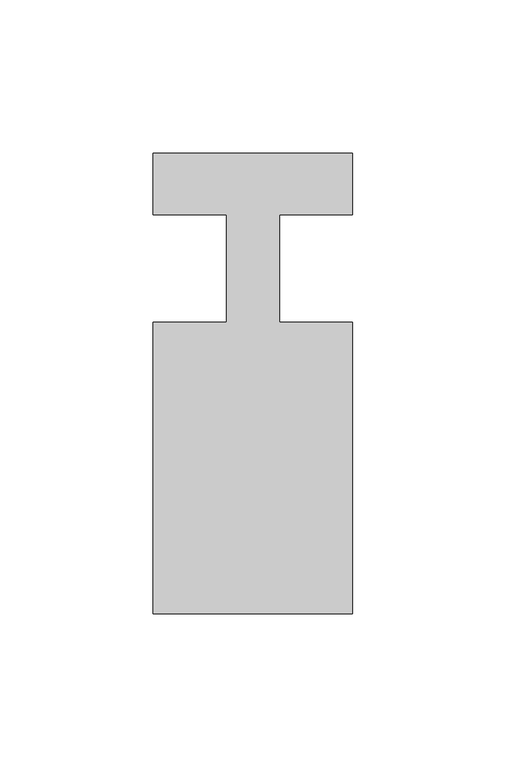
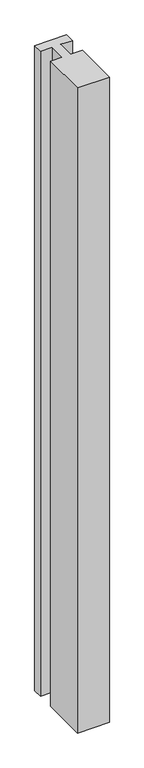
"""IFC4 building model written with IfcOpenShell, lengths in millimetres: member geometry."""

import ifcopenshell
import ifcopenshell.guid

model = None  # the IFC model being written
_history = None  # IfcOwnerHistory: only IFC2X3 demands one
_inside = {}  # id of a spatial element -> (the spatial element, [elements in it])
_under = {}  # id of a project, library or spatial element -> (it, [spatial elements below it])
_declared = {}  # id of a project -> (the project, [libraries it declares])
_typed = {}  # id of a type object -> (the type object, [elements of that type])
_made_of = {}  # id of a material, layer set ... -> (it, [elements and type objects made of it])


def new_model(schema):
    """Start an empty IFC model of exactly this schema.

    Asked for "IFC4X3", IfcOpenShell would pick the latest addendum, in which some entities
    have other attributes; the version numbers below select the first issue.
    IFC2X3 requires an IfcOwnerHistory on every rooted entity: one is made here for all.
    """
    global model, _history
    if schema == "IFC4X3":
        model = ifcopenshell.file(schema_version=(4, 3, 0, 0))
    else:
        model = ifcopenshell.file(schema=schema)
    _inside.clear()
    _under.clear()
    _declared.clear()
    _typed.clear()
    _made_of.clear()
    _history = None
    if model.schema == "IFC2X3":
        org = make("IfcOrganization", Name="unknown")
        user = make(
            "IfcPersonAndOrganization",
            ThePerson=make("IfcPerson", FamilyName="unknown"),
            TheOrganization=org,
        )
        app = make(
            "IfcApplication",
            ApplicationDeveloper=org,
            Version="unknown",
            ApplicationFullName="unknown",
            ApplicationIdentifier="unknown",
        )
        _history = make(
            "IfcOwnerHistory",
            OwningUser=user,
            OwningApplication=app,
            ChangeAction="ADDED",
            CreationDate=0,
        )
    return model


def make(cls, **values):
    """One entity of the class cls with the attributes given. An attribute that is None is left unset."""
    return model.create_entity(
        cls, **{name: value for name, value in values.items() if value is not None}
    )


def rooted(cls, **values):
    """An entity with a GlobalId (a new one), such as an element, a storey or a relation."""
    return make(cls, GlobalId=ifcopenshell.guid.new(), OwnerHistory=_history, **values)


def si_unit(unit_type, name, prefix=None):
    """IfcSIUnit, for example si_unit("LENGTHUNIT", "METRE", prefix="MILLI")."""
    return make("IfcSIUnit", UnitType=unit_type, Prefix=prefix, Name=name)


def assignment(units):
    """IfcUnitAssignment: the units of a project."""
    return None if units is None else make("IfcUnitAssignment", Units=units)


def point(xyz):
    """IfcCartesianPoint."""
    return None if xyz is None else make("IfcCartesianPoint", Coordinates=xyz)


def direction(xyz):
    """IfcDirection."""
    return None if xyz is None else make("IfcDirection", DirectionRatios=xyz)


def frame(location, z_axis=None, x_axis=None):
    """IfcAxis2Placement3D, a coordinate frame: its origin and axes. An axis left out is left unset."""
    return make(
        "IfcAxis2Placement3D",
        Location=point(location),
        Axis=direction(z_axis),
        RefDirection=direction(x_axis),
    )


def origin():
    """The frame at (0, 0, 0) with its axes left unset."""
    return frame((0.0, 0.0, 0.0))


def place(relative_to, where):
    """IfcLocalPlacement: puts the frame where relative to a parent placement (None: the world)."""
    return make(
        "IfcLocalPlacement", PlacementRelTo=relative_to, RelativePlacement=where
    )


def context(
    kind, dimensions, precision=None, world=None, true_north=None, identifier=None
):
    """IfcGeometricRepresentationContext, for example the 3D "Model" context."""
    return make(
        "IfcGeometricRepresentationContext",
        ContextIdentifier=identifier,
        ContextType=kind,
        CoordinateSpaceDimension=dimensions,
        Precision=precision,
        WorldCoordinateSystem=world,
        TrueNorth=true_north,
    )


def project(units=None, contexts=None):
    """IfcProject with its units and contexts."""
    return rooted(
        "IfcProject",
        Name="project",
        RepresentationContexts=contexts,
        UnitsInContext=assignment(units),
    )


def spatial(cls, under=None, at=None, **own):
    """A site, building, storey or space (cls), placed at a placement, below another one or the project."""
    s = rooted(cls, ObjectPlacement=at, **own)
    if under is not None:
        _under.setdefault(under.id(), (under, []))[1].append(s)
    return s


def polyline(points):
    """IfcPolyline through the points."""
    return make("IfcPolyline", Points=[point(p) for p in points])


def outline(outer, holes=None, kind="AREA"):
    """IfcArbitraryClosedProfileDef: a profile drawn as a closed curve; with holes, ...WithVoids."""
    if holes is None:
        return make("IfcArbitraryClosedProfileDef", ProfileType=kind, OuterCurve=outer)
    return make(
        "IfcArbitraryProfileDefWithVoids",
        ProfileType=kind,
        OuterCurve=outer,
        InnerCurves=holes,
    )


def extrude(swept, where, along, depth):
    """IfcExtrudedAreaSolid: the profile swept, set in the frame where, extruded along a direction by depth."""
    return make(
        "IfcExtrudedAreaSolid",
        SweptArea=swept,
        Position=where,
        ExtrudedDirection=direction(along),
        Depth=depth,
    )


def shape(context_of_items, identifier, shape_type, items):
    """IfcShapeRepresentation: the items that make up one representation, for example the "Body"."""
    return make(
        "IfcShapeRepresentation",
        ContextOfItems=context_of_items,
        RepresentationIdentifier=identifier,
        RepresentationType=shape_type,
        Items=items,
    )


def source(mapping_origin, context_of_items, identifier, shape_type, items):
    """IfcRepresentationMap: a shape defined once, which mapped items show again and again."""
    return make(
        "IfcRepresentationMap",
        MappingOrigin=mapping_origin,
        MappedRepresentation=shape(context_of_items, identifier, shape_type, items),
    )


def transform(
    local_origin,
    x_axis=None,
    y_axis=None,
    z_axis=None,
    scale=None,
    scale2=None,
    scale3=None,
    uniform=True,
):
    """IfcCartesianTransformationOperator3D, or its non-uniform kind. x_axis, y_axis, z_axis: its Axis1, 2, 3."""
    if uniform:
        return make(
            "IfcCartesianTransformationOperator3D",
            Axis1=direction(x_axis),
            Axis2=direction(y_axis),
            LocalOrigin=point(local_origin),
            Scale=scale,
            Axis3=direction(z_axis),
        )
    return make(
        "IfcCartesianTransformationOperator3DnonUniform",
        Axis1=direction(x_axis),
        Axis2=direction(y_axis),
        LocalOrigin=point(local_origin),
        Scale=scale,
        Axis3=direction(z_axis),
        Scale2=scale2,
        Scale3=scale3,
    )


def mapped(mapping_source, mapping_target):
    """IfcMappedItem: shows the shape of a source again, moved by a transform."""
    return make(
        "IfcMappedItem", MappingSource=mapping_source, MappingTarget=mapping_target
    )


def made_of(thing, what):
    """Note that an element or type object is made of a material, layer set ...; save() writes the relation."""
    if what is not None:
        _made_of.setdefault(what.id(), (what, []))[1].append(thing)
    return thing


def element(
    cls,
    number,
    at=None,
    inside=None,
    cuts=None,
    type_object=None,
    material=None,
    context=None,
    identifier="Body",
    shape_type=None,
    held_by="IfcProductDefinitionShape",
    body=None,
    shapes=None,
    **own,
):
    """One element of the class cls, such as IfcWall. Its Tag is "e" and its number.

    at: its placement. inside: the storey or other place that contains it. cuts: it is an
    opening in that element (IfcRelVoidsElement). A single representation is given by context,
    identifier, shape_type and body (its items); several are given by shapes. held_by: the class
    of the entity that holds the representations. save() writes the other relations.
    """
    e = rooted(cls, Tag="e%d" % number, ObjectPlacement=at, **own)
    if body is not None:
        shapes = [shape(context, identifier, shape_type, body)]
    if shapes is not None:
        e.Representation = make(held_by, Representations=shapes)
    if inside is not None:
        _inside.setdefault(inside.id(), (inside, []))[1].append(e)
    if cuts is not None:
        rooted(
            "IfcRelVoidsElement", RelatingBuildingElement=cuts, RelatedOpeningElement=e
        )
    if type_object is not None:
        _typed.setdefault(type_object.id(), (type_object, []))[1].append(e)
    return made_of(e, material)


def aggregate(whole, parts):
    """IfcRelAggregates: a whole, such as a stair, and the parts it consists of."""
    return rooted("IfcRelAggregates", RelatingObject=whole, RelatedObjects=parts)


def save(model, path):
    """Write the relations noted so far, then the file.

    IfcRelAggregates (storeys below a building ...), IfcRelContainedInSpatialStructure (elements
    in a storey), IfcRelDefinesByType, IfcRelAssociatesMaterial and IfcRelDeclares: one each for
    every whole, place, type object, material and project.
    """
    for whole, parts in _under.values():
        aggregate(whole, parts)
    for where, things in _inside.values():
        rooted(
            "IfcRelContainedInSpatialStructure",
            RelatedElements=things,
            RelatingStructure=where,
        )
    for kind, things in _typed.values():
        rooted("IfcRelDefinesByType", RelatedObjects=things, RelatingType=kind)
    for what, things in _made_of.values():
        rooted("IfcRelAssociatesMaterial", RelatedObjects=things, RelatingMaterial=what)
    for by, libraries in _declared.values():
        rooted("IfcRelDeclares", RelatingContext=by, RelatedDefinitions=libraries)
    model.write(path)


def member_626e550b(model_context):
    return source(origin(), model_context, "Body", "SweptSolid", [
        extrude(outline(polyline([(-65.0, 37.0), (0.0, 37.0), (0.0, 17.0), (-23.8125, 17.0), (-23.8125, -18.0), (0.0, -18.0), (0.0, -113.0), (-65.0, -113.0), (-65.0, -18.0), (-41.1875, -18.0), (-41.1875, 17.0), (-65.0, 17.0), (-65.0, 37.0)])), frame((0.0, 0.0, -1385.0), z_axis=(0.0, 0.0, 1.0), x_axis=(1.0, 0.0, 0.0)), (0.0, 0.0, 1.0), 1385.0),
    ])


if __name__ == "__main__":
    model = new_model("IFC4")
    model_context = context("Model", 3, world=origin())
    ifc_project = project(units=[si_unit("LENGTHUNIT", "METRE", prefix="MILLI")], contexts=[model_context])
    site = spatial("IfcSite", under=ifc_project)
    building = spatial("IfcBuilding", under=site)
    placement = place(None, origin())
    member_shape = member_626e550b(model_context)
    element("IfcMember", 1, at=placement, inside=building, context=model_context, shape_type="MappedRepresentation", body=[
        mapped(member_shape, transform((0.0, 0.0, 0.0), x_axis=(1.0, 0.0, 0.0), y_axis=(0.0, 1.0, 0.0), z_axis=(0.0, 0.0, 1.0))),
    ])
    save(model, "model.ifc")
